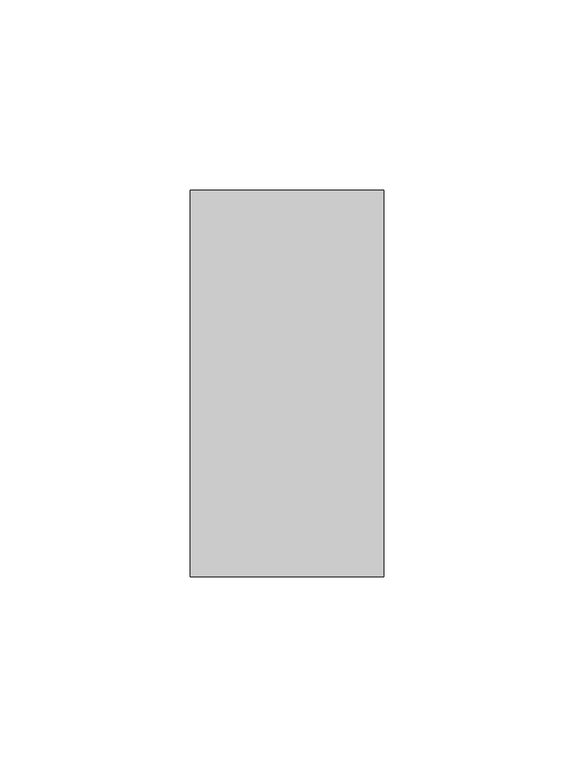
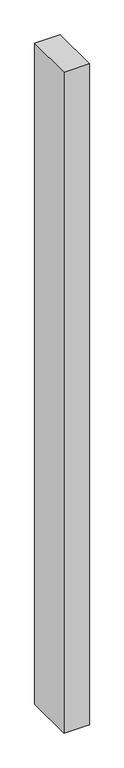
"""IFC4 building model written with IfcOpenShell, lengths in millimetres: proxy geometry."""

from ifc_helpers import new_model, si_unit, origin, origin_with_axes, place, context, project, spatial, polyline, outline, extrude, source, transform, mapped, element, save


def generic_models_b3fd664b(model_context):
    return source(origin(), model_context, "Body", "SweptSolid", [
        extrude(outline(polyline([(50.8, 0.0), (0.0, 0.0), (0.0, 101.6), (50.8, 101.6), (50.8, 0.0)])), origin_with_axes(), (0.0, 0.0, 1.0), 1400.0),
    ])


if __name__ == "__main__":
    model = new_model("IFC4")
    model_context = context("Model", 3, world=origin())
    ifc_project = project(units=[si_unit("LENGTHUNIT", "METRE", prefix="MILLI")], contexts=[model_context])
    site = spatial("IfcSite", under=ifc_project)
    building = spatial("IfcBuilding", under=site)
    placement = place(None, origin())
    generic_models_shape = generic_models_b3fd664b(model_context)
    element("IfcBuildingElementProxy", 1, Name="Generic Models", at=placement, inside=building, context=model_context, shape_type="MappedRepresentation", body=[
        mapped(generic_models_shape, transform((0.0, 0.0, 0.0), x_axis=(1.0, 0.0, 0.0), y_axis=(0.0, 1.0, 0.0), z_axis=(0.0, 0.0, 1.0))),
    ])
    save(model, "model.ifc")
